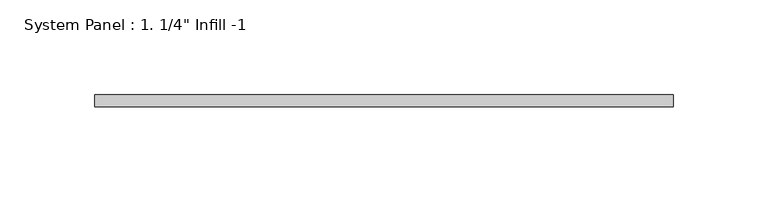
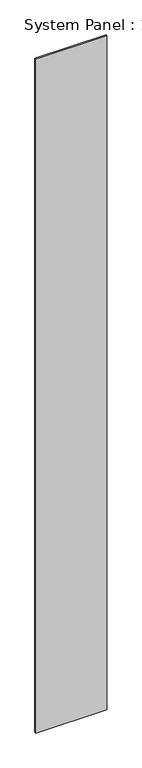
"""IFC4 building model written with IfcOpenShell, lengths in millimetres: plate geometry."""

from ifc_helpers import new_model, si_unit, origin, origin_with_axes, place, context, project, spatial, polyline, outline, extrude, source, transform, mapped, element, save


def plate_3e0260b1(model_context):
    return source(origin(), model_context, "Body", "SweptSolid", [
        extrude(outline(polyline([(152.4, 19.05), (-152.4, 19.05), (-152.4, 25.4), (152.4, 25.4), (152.4, 19.05)])), origin_with_axes(), (0.0, 0.0, 1.0), 3048.0),
    ])


if __name__ == "__main__":
    model = new_model("IFC4")
    model_context = context("Model", 3, world=origin())
    ifc_project = project(units=[si_unit("LENGTHUNIT", "METRE", prefix="MILLI")], contexts=[model_context])
    site = spatial("IfcSite", under=ifc_project)
    building = spatial("IfcBuilding", under=site)
    placement = place(None, origin())
    plate_shape = plate_3e0260b1(model_context)
    element("IfcPlate", 1, ObjectType="System Panel : 1. 1/4\" Infill -1", at=placement, inside=building, context=model_context, shape_type="MappedRepresentation", body=[
        mapped(plate_shape, transform((0.0, 0.0, 0.0), x_axis=(1.0, 0.0, 0.0), y_axis=(0.0, 1.0, 0.0), z_axis=(0.0, 0.0, 1.0))),
    ])
    save(model, "model.ifc")
